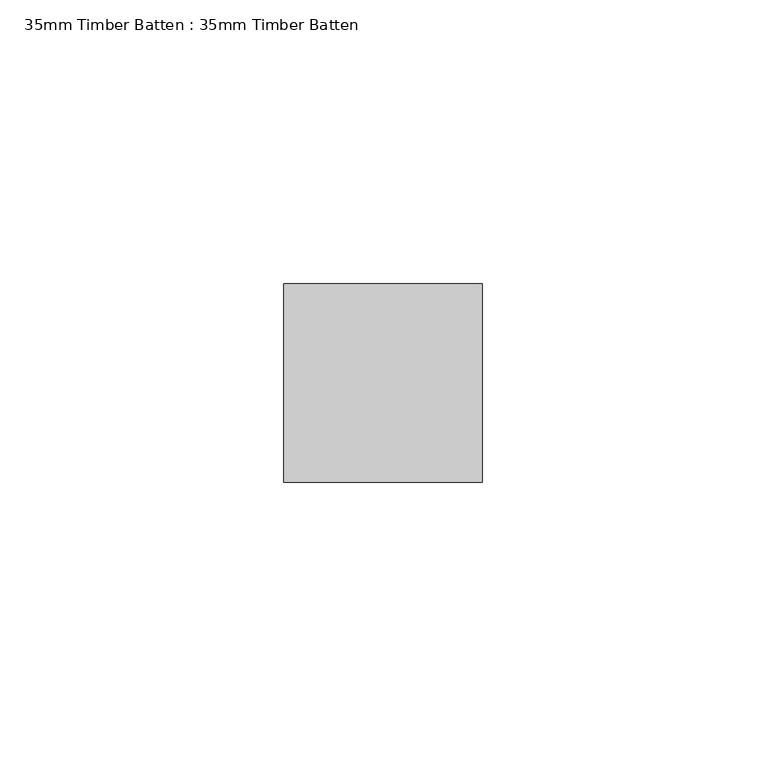
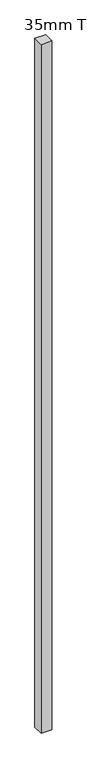
"""IFC4 building model written with IfcOpenShell, lengths in millimetres: proxy geometry, 35mm Timber Batten : 35mm Timber Batten."""

from ifc_helpers import new_model, si_unit, origin, origin_with_axes, place, context, project, spatial, polyline, outline, extrude, source, transform, mapped, element, save


def proxy_35mm_timber_batten_35mm_timber_batten_0bda0126(model_context):
    return source(origin(), model_context, "Body", "SweptSolid", [
        extrude(outline(polyline([(17.5, 17.5), (17.5, -17.5), (-17.5, -17.5), (-17.5, 17.5), (17.5, 17.5)])), origin_with_axes(), (0.0, 0.0, 1.0), 2400.0),
    ])


if __name__ == "__main__":
    model = new_model("IFC4")
    model_context = context("Model", 3, world=origin())
    ifc_project = project(units=[si_unit("LENGTHUNIT", "METRE", prefix="MILLI")], contexts=[model_context])
    site = spatial("IfcSite", under=ifc_project)
    building = spatial("IfcBuilding", under=site)
    placement = place(None, origin())
    proxy_35mm_timber_batten_35mm_timber_batten_shape = proxy_35mm_timber_batten_35mm_timber_batten_0bda0126(model_context)
    element("IfcBuildingElementProxy", 1, Name="35mm Timber Batten : 35mm Timber Batten", ObjectType="35mm Timber Batten : 35mm Timber Batten", at=placement, inside=building, context=model_context, shape_type="MappedRepresentation", body=[
        mapped(proxy_35mm_timber_batten_35mm_timber_batten_shape, transform((0.0, 0.0, 0.0), x_axis=(1.0, 0.0, 0.0), y_axis=(0.0, 1.0, 0.0), z_axis=(0.0, 0.0, 1.0))),
    ])
    save(model, "model.ifc")
